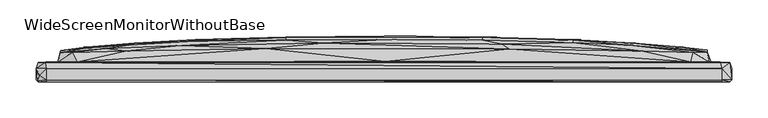
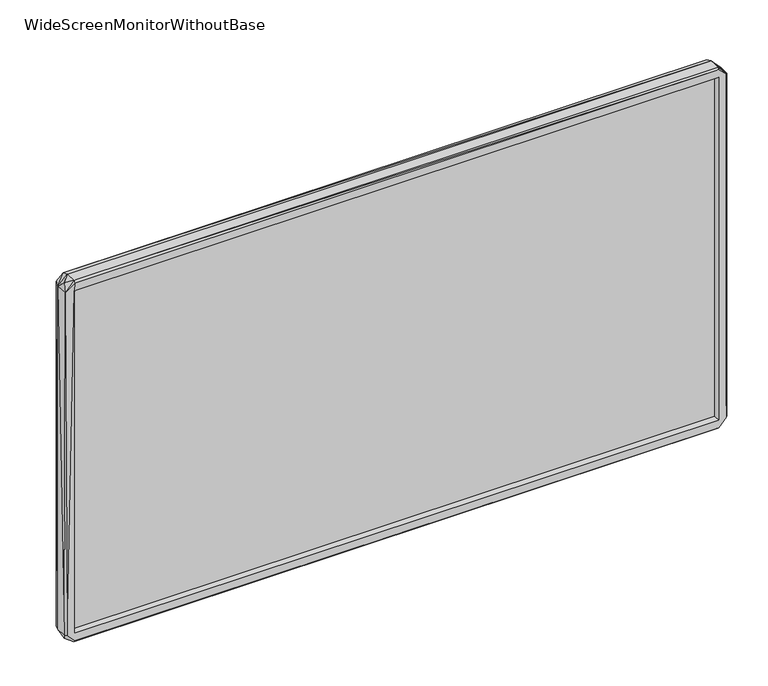
"""IFC4 building model written with IfcOpenShell, lengths in millimetres: furniture geometry, WideScreenMonitorWithoutBase."""

from ifc_helpers import new_model, si_unit, origin, place, context, project, spatial, triangles, source, transform, mapped, element, save


def widescreenmonitorwithoutbase_e4af7ded(model_context):
    return source(origin(), model_context, "Body", "Tessellation", [
        triangles([(463.3285503, 4.1466895, 17.551227), (463.3285503, 4.1465992, 535.40075), (463.3285503, 1.8466896, 17.551227), (463.3285503, 1.8465991, 535.40075), (-463.2796071, 1.8465475, 535.40075), (-463.2796071, 4.1465481, 535.40075), (-463.2796071, 4.1466384, 17.551227), (-463.2796071, 1.8466382, 17.551227)], [[1, 2, 3], [3, 2, 4], [5, 4, 2], [5, 2, 6], [7, 1, 3], [7, 3, 8], [7, 6, 1], [7, 8, 5], [7, 5, 6], [8, 3, 4], [8, 4, 5], [1, 6, 2]]),
        triangles([(-479.8060329, 14.5199713, 14.4410267), (-479.8060329, -1.2800292, 14.4410233), (-479.706039, 14.5198793, 538.7084332), (-476.9060283, 22.9199718, 13.6410267), (-476.1060408, 5.2199729, 4.5410246), (-477.0060585, 22.9198787, 540.3084083), (-477.1060524, -4.0800287, 14.241023), (-478.6060335, -2.4801206, 538.7084332), (-466.3060212, -4.0800284, 14.241023), (-466.3060212, -4.0801201, 538.7084332), (-466.0060395, -4.0800264, 2.6410228), (-466.0060395, -1.280026, 0.0410235), (-449.8060472, 23.4199663, 48.4410249), (-418.9998608, 23.5199715, 25.7410251), (-468.7060564, 22.9199741, 3.3410277), (-466.0060395, 14.5199747, 0.0410263), (463.8052291, 22.9200263, 2.7410274), (466.2052279, -4.0799742, 2.7410226), (466.3052218, -4.0799761, 14.241023), (-463.3060226, 1.8199712, 17.5410226), (463.3052233, 1.8200226, 17.5410226), (466.2052279, -1.279974, 0.0410235), (466.2052279, 14.5200269, 0.0410263), (-463.3060226, 7.8199703, 17.5410248), (-463.3060226, 7.8198789, 535.408453), (-463.3060226, 1.8198806, 535.408453), (463.3052233, 7.8200225, 17.5410248), (-11.5504055, 7.9199523, 272.5247353), (-449.8060472, 23.4198891, 504.5084496), (-445.806037, 36.9855468, 70.7977725), (-428.3998684, 36.1855524, 33.941031), (-445.9060309, 39.1854897, 386.238234), (422.1990478, 23.5200215, 25.7410251), (-395.6998658, 37.1855573, 29.5410293), (3.049591, 42.1855791, 29.5410316), (330.3928782, 38.9855973, 29.5410316), (427.6990754, 36.1855956, 33.4410297), (448.4052243, 23.4200162, 45.2410249), (476.9052289, 22.920024, 14.9410268), (445.8052377, 37.0855974, 73.2977698), (450.5052415, 23.9199812, 245.6679807), (463.3052233, 7.8199311, 535.408453), (463.3052233, 1.819932, 535.408453), (475.8052234, 4.620026, 4.0410245), (479.8052336, -1.2799757, 14.2410241), (477.2052106, -4.0799756, 14.5410229), (466.3052218, -4.0800678, 538.7084332), (479.8052336, 14.5200246, 14.341026), (477.1052167, 22.9199309, 539.5083844), (479.8052336, 14.5199338, 538.4084152), (479.6052458, -1.2800676, 539.0084513), (477.0052228, -4.0800678, 540.6083899), (-337.5936378, 47.1855419, 128.654529), (-275.5813075, 40.1855649, 29.5410316), (-160.8689235, 48.4855625, 75.9977685), (-260.4813025, 50.5855479, 128.554526), (82.961951, 49.2855727, 75.9977685), (281.9867123, 46.2855832, 80.4977755), (354.3929031, 46.1855802, 127.6545264), (410.0990596, 42.6855804, 144.8545122), (-445.9060309, 39.5855243, 186.1112417), (-410.099859, 44.385513, 247.8680099), (-342.5936597, 49.3855303, 203.3680009), (-135.2689236, 53.585551, 129.3545226), (0.0495918, 54.4855596, 128.7545138), (135.2681787, 53.4855662, 127.5545234), (260.4805213, 52.5855666, 176.4112524), (445.9052316, 39.4855759, 176.811228), (445.9052316, 39.68555, 351.1814713), (445.8052377, 36.9855241, 481.851693), (-260.4813025, 53.5855283, 203.3680009), (-135.2689236, 57.0855372, 203.3680009), (0.0495916, 58.1855427, 203.3680009), (135.2681787, 57.0855508, 203.3680009), (344.9928592, 49.1855606, 203.3680009), (410.0990596, 44.3855538, 304.1814876), (260.4805213, 54.4855505, 276.3247577), (343.7928961, 49.9855481, 276.3247577), (448.7052423, 23.4199345, 506.7084606), (-343.7936591, 49.9855118, 276.3247577), (-344.9936585, 49.1855016, 349.1814843), (-410.099859, 42.6854895, 406.4949918), (-260.4813025, 54.4855187, 276.3247577), (-135.2689236, 58.0855261, 276.3247577), (0.0495915, 59.2855346, 276.3247577), (135.2681787, 58.0855443, 276.3247577), (-260.4813025, 52.5854985, 376.2382267), (-135.2689236, 57.0855145, 349.1814843), (0.0495916, 58.18552, 349.1814843), (135.2681787, 57.0855281, 349.1814843), (260.4805213, 53.5855373, 349.1814843), (342.5928603, 49.3855439, 349.1814843), (-350.8936618, 46.7854891, 417.3949805), (-135.2689236, 53.485498, 424.9949527), (0.0495918, 54.4855051, 423.8949835), (135.2681787, 53.5855146, 423.2949474), (260.4805213, 50.5855251, 424.0949713), (337.5928748, 47.1855283, 423.8949835), (-445.7060431, 36.5854735, 491.5516823), (-280.8874879, 46.2854878, 472.5517156), (-383.6998715, 41.8854793, 473.6516848), (-83.3627623, 49.2854955, 476.6516833), (162.3681779, 48.3855095, 476.6516833), (355.8928843, 38.4855097, 523.2084346), (426.6990274, 36.1855138, 519.3084546), (-430.2060445, 36.1854684, 517.608413), (-356.2936592, 38.4854734, 523.2084346), (-163.2689223, 41.6854825, 523.2084346), (172.768179, 41.5855022, 523.2084346), (-475.8060227, 4.6198778, 548.9084284), (-466.3060212, 14.5198782, 552.8084084), (-467.206039, 22.9198764, 550.0084339), (-466.1060334, -1.2801225, 552.9084386), (-466.1060334, -4.0801223, 550.2083854), (-422.999871, 23.5198852, 526.9083904), (1.8495921, 24.3199068, 527.5084265), (464.205241, 22.9199287, 550.2083854), (466.2052279, 14.5199304, 552.8084084), (466.0052402, -4.0800701, 550.3084156), (466.1052341, -1.2800707, 552.9084386), (422.8990414, 23.5199329, 527.1084146)], [[1, 2, 3], [1, 4, 5], [1, 5, 2], [1, 3, 6], [1, 6, 4], [2, 7, 8], [2, 5, 7], [2, 8, 3], [7, 9, 10], [7, 11, 9], [7, 5, 12], [7, 12, 11], [7, 10, 8], [4, 13, 14], [4, 14, 15], [4, 6, 13], [4, 15, 5], [5, 15, 16], [5, 16, 12], [15, 14, 17], [15, 17, 16], [9, 11, 18], [9, 18, 19], [9, 20, 10], [9, 21, 20], [9, 19, 21], [11, 12, 22], [11, 22, 18], [12, 16, 23], [12, 23, 22], [16, 17, 23], [20, 21, 24], [20, 24, 25], [20, 26, 10], [20, 25, 26], [24, 21, 27], [24, 27, 28], [24, 28, 25], [13, 6, 29], [13, 30, 31], [13, 32, 30], [13, 29, 32], [13, 31, 14], [14, 33, 17], [14, 31, 34], [14, 34, 35], [14, 35, 33], [33, 35, 36], [33, 36, 37], [33, 37, 38], [33, 38, 39], [33, 39, 17], [38, 40, 41], [38, 37, 40], [38, 41, 39], [27, 21, 42], [27, 42, 28], [21, 19, 43], [21, 43, 42], [17, 39, 23], [23, 39, 44], [23, 44, 22], [22, 44, 45], [22, 45, 18], [18, 46, 19], [18, 45, 46], [19, 47, 43], [19, 46, 47], [44, 39, 48], [44, 48, 45], [39, 41, 49], [39, 49, 50], [39, 50, 48], [46, 51, 52], [46, 52, 47], [46, 45, 51], [45, 48, 50], [45, 50, 51], [31, 30, 53], [31, 53, 34], [34, 54, 35], [34, 55, 54], [34, 53, 56], [34, 56, 55], [54, 55, 35], [35, 55, 57], [35, 57, 36], [36, 57, 58], [36, 58, 37], [37, 58, 59], [37, 59, 60], [37, 60, 40], [30, 61, 62], [30, 62, 63], [30, 63, 53], [30, 32, 61], [55, 56, 64], [55, 64, 65], [55, 65, 57], [57, 65, 66], [57, 66, 58], [58, 66, 67], [58, 67, 59], [40, 68, 69], [40, 69, 70], [40, 60, 68], [40, 70, 41], [53, 63, 71], [53, 71, 56], [56, 71, 72], [56, 72, 64], [64, 72, 73], [64, 73, 65], [65, 73, 74], [65, 74, 66], [66, 74, 67], [59, 67, 75], [59, 75, 60], [60, 75, 76], [60, 76, 68], [61, 32, 62], [67, 74, 77], [67, 77, 78], [67, 78, 75], [68, 76, 69], [41, 70, 79], [41, 79, 49], [62, 80, 63], [62, 81, 80], [62, 32, 82], [62, 82, 81], [63, 80, 83], [63, 83, 71], [71, 83, 84], [71, 84, 72], [72, 84, 85], [72, 85, 73], [73, 85, 86], [73, 86, 74], [74, 86, 77], [75, 78, 76], [28, 42, 25], [80, 81, 87], [80, 87, 83], [83, 88, 84], [83, 87, 88], [84, 88, 89], [84, 89, 85], [85, 89, 90], [85, 90, 86], [86, 90, 91], [86, 91, 77], [77, 91, 92], [77, 92, 78], [78, 92, 76], [81, 82, 93], [81, 93, 87], [88, 87, 94], [88, 94, 95], [88, 95, 89], [89, 95, 96], [89, 96, 90], [90, 96, 97], [90, 97, 91], [91, 97, 98], [91, 98, 92], [92, 98, 70], [92, 70, 76], [76, 70, 69], [32, 29, 99], [32, 99, 82], [87, 93, 100], [87, 100, 94], [82, 99, 101], [82, 101, 93], [93, 101, 100], [94, 100, 102], [94, 102, 95], [95, 102, 103], [95, 103, 96], [96, 103, 97], [97, 103, 104], [97, 104, 98], [98, 104, 105], [98, 105, 70], [99, 29, 106], [99, 106, 101], [101, 106, 107], [101, 107, 100], [100, 107, 108], [100, 108, 102], [102, 108, 109], [102, 109, 103], [103, 109, 104], [70, 105, 79], [3, 110, 111], [3, 111, 112], [3, 112, 6], [3, 8, 110], [8, 113, 110], [8, 114, 113], [8, 10, 114], [6, 112, 115], [6, 115, 29], [110, 113, 111], [112, 116, 115], [112, 117, 116], [112, 111, 118], [112, 118, 117], [10, 26, 47], [10, 119, 114], [10, 47, 119], [111, 113, 118], [113, 120, 118], [113, 114, 119], [113, 119, 120], [26, 25, 43], [26, 43, 47], [25, 42, 43], [29, 115, 106], [115, 116, 108], [115, 107, 106], [115, 108, 107], [116, 117, 121], [116, 121, 109], [116, 109, 108], [121, 79, 105], [121, 104, 109], [121, 105, 104], [121, 117, 49], [121, 49, 79], [117, 118, 49], [119, 52, 120], [119, 47, 52], [120, 52, 51], [120, 51, 118], [118, 51, 49], [49, 51, 50]]),
    ])


if __name__ == "__main__":
    model = new_model("IFC4")
    model_context = context("Model", 3, world=origin())
    ifc_project = project(units=[si_unit("LENGTHUNIT", "METRE", prefix="MILLI")], contexts=[model_context])
    site = spatial("IfcSite", under=ifc_project)
    building = spatial("IfcBuilding", under=site)
    placement = place(None, origin())
    widescreenmonitorwithoutbase_shape = widescreenmonitorwithoutbase_e4af7ded(model_context)
    element("IfcFurniture", 1, ObjectType="WideScreenMonitorWithoutBase", at=placement, inside=building, context=model_context, shape_type="MappedRepresentation", body=[
        mapped(widescreenmonitorwithoutbase_shape, transform((0.0, 0.0, 0.0), x_axis=(1.0, 0.0, 0.0), y_axis=(0.0, 1.0, 0.0), z_axis=(0.0, 0.0, 1.0))),
    ])
    save(model, "model.ifc")
